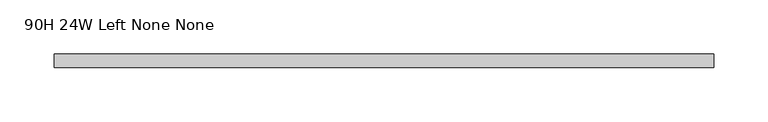
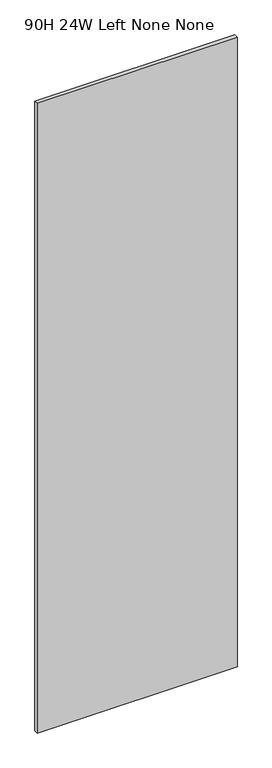
"""IFC4 building model written with IfcOpenShell, lengths in millimetres: furniture geometry, 90H 24W Left None None."""

from ifc_helpers import new_model, si_unit, frame, origin, place, context, project, spatial, polyline, outline, extrude, source, transform, mapped, element, save


def furniture_90h_24w_left_none_none_359c54ef(model_context):
    return source(origin(), model_context, "Body", "SweptSolid", [
        extrude(outline(polyline([(609.6, -50.8000015), (0.0, -50.8000015), (0.0, -38.1), (609.6, -38.1), (609.6, -50.8000015)])), frame((0.0, 0.0, 139.700003), z_axis=(0.0, 0.0, 1.0), x_axis=(1.0, 0.0, 0.0)), (0.0, 0.0, 1.0), 2031.999997),
    ])


if __name__ == "__main__":
    model = new_model("IFC4")
    model_context = context("Model", 3, world=origin())
    ifc_project = project(units=[si_unit("LENGTHUNIT", "METRE", prefix="MILLI")], contexts=[model_context])
    site = spatial("IfcSite", under=ifc_project)
    building = spatial("IfcBuilding", under=site)
    placement = place(None, origin())
    furniture_90h_24w_left_none_none_shape = furniture_90h_24w_left_none_none_359c54ef(model_context)
    element("IfcFurniture", 1, ObjectType="90H 24W Left None None", at=placement, inside=building, context=model_context, shape_type="MappedRepresentation", body=[
        mapped(furniture_90h_24w_left_none_none_shape, transform((0.0, 0.0, 0.0), x_axis=(1.0, 0.0, 0.0), y_axis=(0.0, 1.0, 0.0), z_axis=(0.0, 0.0, 1.0))),
    ])
    save(model, "model.ifc")
